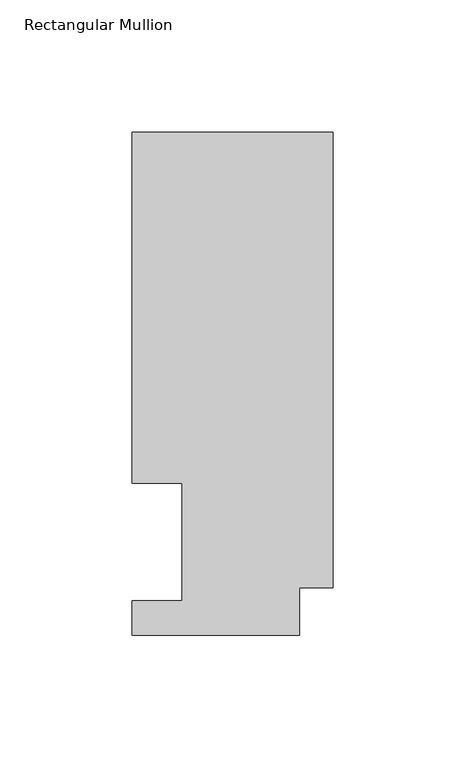
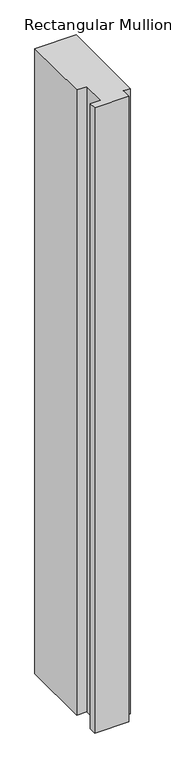
"""IFC4 building model written with IfcOpenShell, lengths in millimetres: member geometry, Rectangular Mullion."""

from ifc_helpers import new_model, si_unit, frame, origin, place, context, project, spatial, polyline, outline, extrude, source, transform, mapped, element, save


def rectangular_mullion_fb42bc2d(model_context):
    return source(origin(), model_context, "Body", "SweptSolid", [
        extrude(outline(polyline([(0.0, 190.5896938), (0.0, 17.9712937), (-12.7, 17.9712937), (-12.7, 0.0134938), (-76.2, 0.0134938), (-76.2, 13.1960938), (-57.15, 13.1960938), (-57.15, 57.6460937), (-76.2, 57.6460937), (-76.2, 190.5896938), (0.0, 190.5896938)])), frame((0.0, 0.0, -1219.2), z_axis=(0.0, 0.0, 1.0), x_axis=(1.0, 0.0, 0.0)), (0.0, 0.0, 1.0), 1219.2),
    ])


if __name__ == "__main__":
    model = new_model("IFC4")
    model_context = context("Model", 3, world=origin())
    ifc_project = project(units=[si_unit("LENGTHUNIT", "METRE", prefix="MILLI")], contexts=[model_context])
    site = spatial("IfcSite", under=ifc_project)
    building = spatial("IfcBuilding", under=site)
    placement = place(None, origin())
    rectangular_mullion_shape = rectangular_mullion_fb42bc2d(model_context)
    element("IfcMember", 1, ObjectType="Rectangular Mullion", at=placement, inside=building, context=model_context, shape_type="MappedRepresentation", body=[
        mapped(rectangular_mullion_shape, transform((0.0, 0.0, 0.0), x_axis=(1.0, 0.0, 0.0), y_axis=(0.0, 1.0, 0.0), z_axis=(0.0, 0.0, 1.0))),
    ])
    save(model, "model.ifc")
